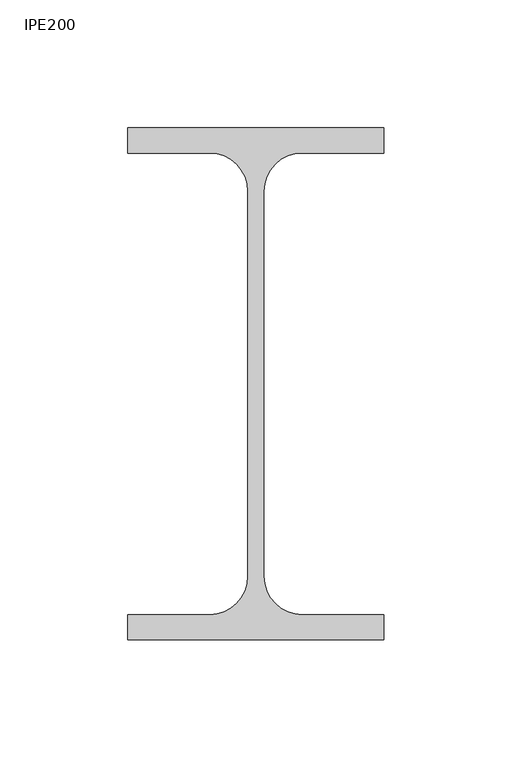
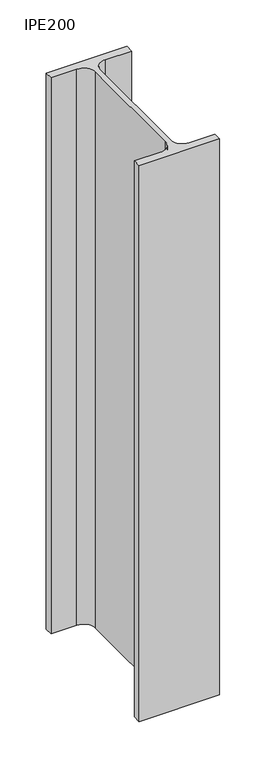
"""IFC4 building model written with IfcOpenShell, lengths in millimetres: column geometry, IPE200."""

from ifc_helpers import new_model, si_unit, point, frame, frame_2d, origin, place, context, project, spatial, polyline, circle_curve, trimmed, segment, composite_curve, outline, extrude, source, transform, mapped, element, save


def ipe200_c7f1fc43(model_context):
    return source(origin(), model_context, "Body", "SweptSolid", [
        extrude(outline(composite_curve([segment(polyline([(50.0, 100.0), (50.0, 90.2), (18.1, 90.2)]), True, "CONTINUOUS"), segment(trimmed(circle_curve(frame_2d((18.1, 75.2)), 15.0), [point((18.1, 90.2))], [point((3.1, 75.2))], True, "CARTESIAN"), True, "CONTINUOUS"), segment(polyline([(3.1, 75.2), (3.1, -75.2)]), True, "CONTINUOUS"), segment(trimmed(circle_curve(frame_2d((18.1, -75.2)), 15.0), [point((3.1, -75.2))], [point((18.1, -90.2))], True, "CARTESIAN"), True, "CONTINUOUS"), segment(polyline([(18.1, -90.2), (50.0, -90.2), (50.0, -100.0), (-50.0, -100.0), (-50.0, -90.2), (-18.1, -90.2)]), True, "CONTINUOUS"), segment(trimmed(circle_curve(frame_2d((-18.1, -75.2)), 15.0), [point((-18.1, -90.2))], [point((-3.1, -75.2))], True, "CARTESIAN"), True, "CONTINUOUS"), segment(polyline([(-3.1, -75.2), (-3.1, 75.2)]), True, "CONTINUOUS"), segment(trimmed(circle_curve(frame_2d((-18.1, 75.2)), 15.0), [point((-3.1, 75.2))], [point((-18.1, 90.2))], True, "CARTESIAN"), True, "CONTINUOUS"), segment(polyline([(-18.1, 90.2), (-50.0, 90.2), (-50.0, 100.0), (50.0, 100.0)]), True, "CONTINUOUS")], self_intersect=False)), frame((0.0, 0.0, 9380.0), z_axis=(0.0, 0.0, 1.0), x_axis=(1.0, 0.0, 0.0)), (0.0, 0.0, 1.0), 730.0),
    ])


if __name__ == "__main__":
    model = new_model("IFC4")
    model_context = context("Model", 3, world=origin())
    ifc_project = project(units=[si_unit("LENGTHUNIT", "METRE", prefix="MILLI")], contexts=[model_context])
    site = spatial("IfcSite", under=ifc_project)
    building = spatial("IfcBuilding", under=site)
    placement = place(None, origin())
    ipe200_shape = ipe200_c7f1fc43(model_context)
    element("IfcColumn", 1, ObjectType="IPE200", at=placement, inside=building, context=model_context, shape_type="MappedRepresentation", body=[
        mapped(ipe200_shape, transform((0.0, 0.0, 0.0), x_axis=(1.0, 0.0, 0.0), y_axis=(0.0, 1.0, 0.0), z_axis=(0.0, 0.0, 1.0))),
    ])
    save(model, "model.ifc")
